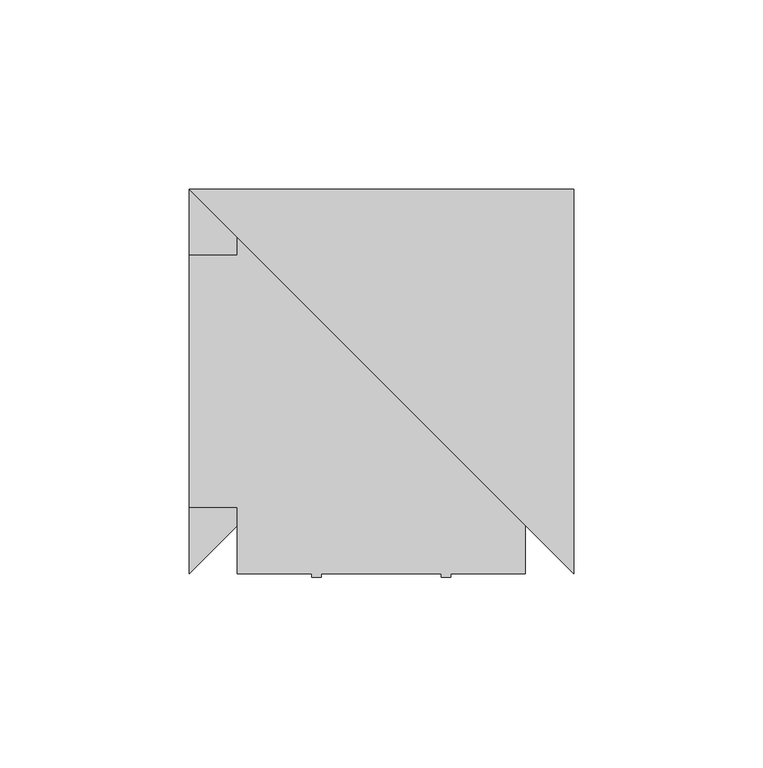
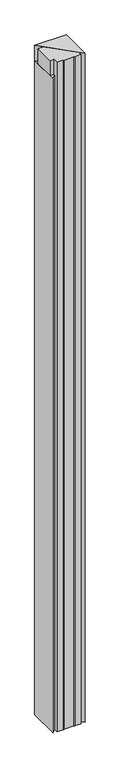
"""IFC4 building model written with IfcOpenShell, lengths in millimetres: furniture geometry."""

from ifc_helpers import new_model, si_unit, origin, place, context, project, spatial, faceted_brep, source, transform, mapped, element, save


def furniture_5f0e010d(model_context):
    return source(origin(), model_context, "Body", "Brep", [
        faceted_brep([(101.6, -3.8e-06, 2286.0), (101.6, 101.5999992, 2286.0), (-4.84e-05, 101.5999992, 2286.0), (-4.84e-05, 101.5999992, 25.4000008), (101.6, 101.5999992, 25.4000008), (101.6, -3.8e-06, 25.4000008), (12.6999974, 88.8999591, 25.4000008), (12.6999974, 12.6999994, 25.4000008), (-3e-06, -6.6e-06, 25.4000008), (-4.84e-05, 101.5999992, 2234.4125965), (12.6999817, 88.8999747, 2234.4125965), (-3e-06, -6.6e-06, 2234.4125965), (12.6999974, 12.6999994, 2234.4125965)], [[[0, 1, 2]], [[3, 4, 5, 6, 7, 8]], [[0, 2, 9, 10, 6, 5]], [[1, 0, 5, 4]], [[2, 1, 4, 3, 9]], [[9, 11, 12, 10]], [[10, 12, 7, 6]], [[11, 9, 3, 8]], [[12, 11, 8, 7]]]),
        faceted_brep([(32.384999, -3.8e-06, 2286.0), (32.384999, -1.0160028, 2286.0), (34.9249989, -1.0160028, 2286.0), (34.9249989, -3.8e-06, 2286.0), (66.6749981, -3.8e-06, 2286.0), (66.6749981, -1.0160028, 2286.0), (69.2150002, -1.0160028, 2286.0), (69.2150002, -3.8e-06, 2286.0), (88.8999939, -3.8e-06, 2286.0), (88.8999939, 12.6999625, 2286.0), (12.6999974, 88.8999932, 2286.0), (12.6999974, 84.1374932, 2286.0), (-3e-06, 84.1374932, 2286.0), (-3e-06, 17.4624966, 2286.0), (12.6999974, 17.4624966, 2286.0), (12.6999974, -3.8e-06, 2286.0), (32.384999, -3.8e-06, 25.4000008), (12.6999974, -3.8e-06, 25.4000008), (12.6999974, 88.8999932, 25.4000008), (88.8999939, 12.6999625, 25.4000008), (88.8999939, -3.8e-06, 25.4000008), (69.2150002, -3.8e-06, 25.4000008), (69.2150002, -1.0160028, 25.4000008), (66.6749981, -1.0160028, 25.4000008), (66.6749981, -3.8e-06, 25.4000008), (34.9249989, -3.8e-06, 25.4000008), (34.9249989, -1.0160028, 25.4000008), (32.384999, -1.0160028, 25.4000008), (12.6999974, 17.4624966, 2234.4125965), (12.6999974, 84.1374932, 2234.4125965), (-3e-06, 17.4624966, 2234.4125965), (-3e-06, 84.1374932, 2234.4125965)], [[[0, 1, 2, 3, 4, 5, 6, 7, 8, 9, 10, 11, 12, 13, 14, 15]], [[16, 17, 18, 19, 20, 21, 22, 23, 24, 25, 26, 27]], [[18, 17, 15, 14, 28, 29, 11, 10]], [[0, 15, 17, 16]], [[1, 0, 16, 27]], [[2, 1, 27, 26]], [[3, 2, 26, 25]], [[4, 3, 25, 24]], [[5, 4, 24, 23]], [[6, 5, 23, 22]], [[7, 6, 22, 21]], [[8, 7, 21, 20]], [[9, 8, 20, 19]], [[10, 9, 19, 18]], [[30, 31, 29, 28]], [[14, 13, 30, 28]], [[12, 11, 29, 31]], [[13, 12, 31, 30]]]),
    ])


if __name__ == "__main__":
    model = new_model("IFC4")
    model_context = context("Model", 3, world=origin())
    ifc_project = project(units=[si_unit("LENGTHUNIT", "METRE", prefix="MILLI")], contexts=[model_context])
    site = spatial("IfcSite", under=ifc_project)
    building = spatial("IfcBuilding", under=site)
    placement = place(None, origin())
    furniture_shape = furniture_5f0e010d(model_context)
    element("IfcFurniture", 1, at=placement, inside=building, context=model_context, shape_type="MappedRepresentation", body=[
        mapped(furniture_shape, transform((0.0, 0.0, 0.0), x_axis=(1.0, 0.0, 0.0), y_axis=(0.0, 1.0, 0.0), z_axis=(0.0, 0.0, 1.0))),
    ])
    save(model, "model.ifc")
